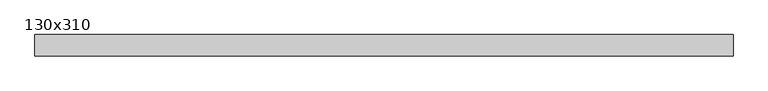
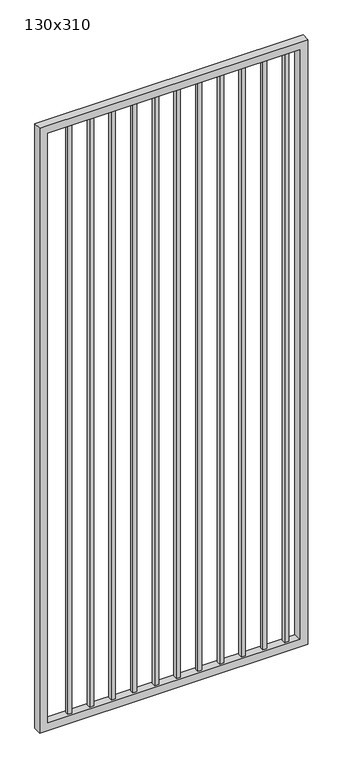
"""IFC4 building model written with IfcOpenShell, lengths in millimetres: proxy geometry, 130x310."""

from ifc_helpers import new_model, si_unit, frame, origin, place, context, project, spatial, polyline, outline, extrude, source, transform, mapped, element, save


def proxy_130x310_c6c97d92(model_context):
    return source(origin(), model_context, "Body", "SweptSolid", [
        extrude(outline(polyline([(1203.325, -9.525), (1184.275, -9.525), (1184.275, 9.525), (1203.325, 9.525), (1203.325, -9.525)])), frame((0.0, 0.0, 139.7), z_axis=(0.0, 0.0, 1.0), x_axis=(1.0, 0.0, 0.0)), (0.0, 0.0, 1.0), 2930.0),
        extrude(outline(polyline([(1101.725, -9.525), (1082.675, -9.525), (1082.675, 9.525), (1101.725, 9.525), (1101.725, -9.525)])), frame((0.0, 0.0, 139.7), z_axis=(0.0, 0.0, 1.0), x_axis=(1.0, 0.0, 0.0)), (0.0, 0.0, 1.0), 2930.0),
        extrude(outline(polyline([(1000.125, -9.525), (981.075, -9.525), (981.075, 9.525), (1000.125, 9.525), (1000.125, -9.525)])), frame((0.0, 0.0, 139.7), z_axis=(0.0, 0.0, 1.0), x_axis=(1.0, 0.0, 0.0)), (0.0, 0.0, 1.0), 2930.0),
        extrude(outline(polyline([(898.525, -9.525), (879.475, -9.525), (879.475, 9.525), (898.525, 9.525), (898.525, -9.525)])), frame((0.0, 0.0, 139.7), z_axis=(0.0, 0.0, 1.0), x_axis=(1.0, 0.0, 0.0)), (0.0, 0.0, 1.0), 2930.0),
        extrude(outline(polyline([(796.925, -9.525), (777.875, -9.525), (777.875, 9.525), (796.925, 9.525), (796.925, -9.525)])), frame((0.0, 0.0, 139.7), z_axis=(0.0, 0.0, 1.0), x_axis=(1.0, 0.0, 0.0)), (0.0, 0.0, 1.0), 2930.0),
        extrude(outline(polyline([(695.325, -9.525), (676.275, -9.525), (676.275, 9.525), (695.325, 9.525), (695.325, -9.525)])), frame((0.0, 0.0, 139.7), z_axis=(0.0, 0.0, 1.0), x_axis=(1.0, 0.0, 0.0)), (0.0, 0.0, 1.0), 2930.0),
        extrude(outline(polyline([(593.725, -9.525), (574.675, -9.525), (574.675, 9.525), (593.725, 9.525), (593.725, -9.525)])), frame((0.0, 0.0, 139.7), z_axis=(0.0, 0.0, 1.0), x_axis=(1.0, 0.0, 0.0)), (0.0, 0.0, 1.0), 2930.0),
        extrude(outline(polyline([(492.125, -9.525), (473.075, -9.525), (473.075, 9.525), (492.125, 9.525), (492.125, -9.525)])), frame((0.0, 0.0, 139.7), z_axis=(0.0, 0.0, 1.0), x_axis=(1.0, 0.0, 0.0)), (0.0, 0.0, 1.0), 2930.0),
        extrude(outline(polyline([(390.525, -9.525), (371.475, -9.525), (371.475, 9.525), (390.525, 9.525), (390.525, -9.525)])), frame((0.0, 0.0, 139.7), z_axis=(0.0, 0.0, 1.0), x_axis=(1.0, 0.0, 0.0)), (0.0, 0.0, 1.0), 2930.0),
        extrude(outline(polyline([(288.925, -9.525), (269.875, -9.525), (269.875, 9.525), (288.925, 9.525), (288.925, -9.525)])), frame((0.0, 0.0, 139.7), z_axis=(0.0, 0.0, 1.0), x_axis=(1.0, 0.0, 0.0)), (0.0, 0.0, 1.0), 2930.0),
        extrude(outline(polyline([(187.325, -9.525), (168.275, -9.525), (168.275, 9.525), (187.325, 9.525), (187.325, -9.525)])), frame((0.0, 0.0, 139.7), z_axis=(0.0, 0.0, 1.0), x_axis=(1.0, 0.0, 0.0)), (0.0, 0.0, 1.0), 2930.0),
        extrude(outline(polyline([(3100.0, 1287.3), (3100.0, 30.0), (101.6, 30.0), (101.6, 1287.3), (3100.0, 1287.3)]), holes=[polyline([(139.7, 1249.2), (139.7, 68.1), (3061.9, 68.1), (3061.9, 1249.2), (139.7, 1249.2)])]), frame((0.0, -19.05, 0.0), z_axis=(0.0, 1.0, 0.0), x_axis=(0.0, 0.0, 1.0)), (0.0, 0.0, 1.0), 38.1),
    ])


if __name__ == "__main__":
    model = new_model("IFC4")
    model_context = context("Model", 3, world=origin())
    ifc_project = project(units=[si_unit("LENGTHUNIT", "METRE", prefix="MILLI")], contexts=[model_context])
    site = spatial("IfcSite", under=ifc_project)
    building = spatial("IfcBuilding", under=site)
    placement = place(None, origin())
    proxy_130x310_shape = proxy_130x310_c6c97d92(model_context)
    element("IfcBuildingElementProxy", 1, Name="130x310", ObjectType="130x310", at=placement, inside=building, context=model_context, shape_type="MappedRepresentation", body=[
        mapped(proxy_130x310_shape, transform((0.0, 0.0, 0.0), x_axis=(1.0, 0.0, 0.0), y_axis=(0.0, 1.0, 0.0), z_axis=(0.0, 0.0, 1.0))),
    ])
    save(model, "model.ifc")
